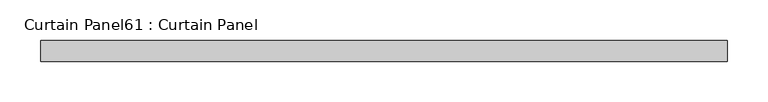
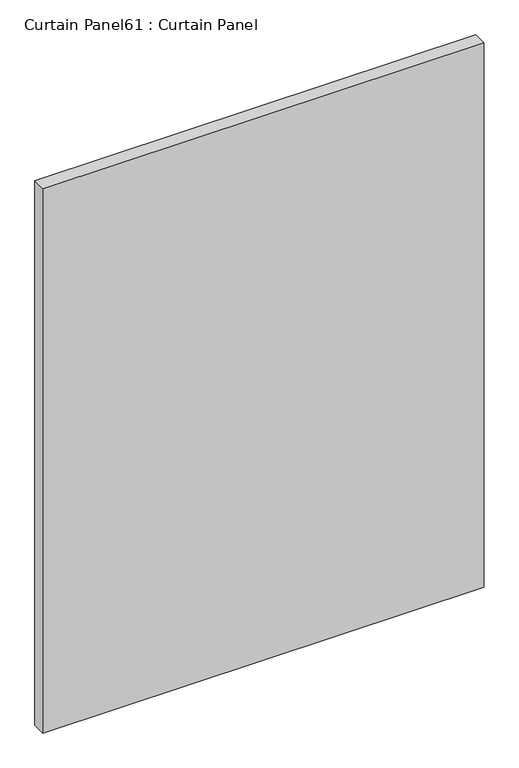
"""IFC4 building model written with IfcOpenShell, lengths in millimetres: plate geometry, Curtain Panel61 : Curtain Panel."""

from ifc_helpers import new_model, si_unit, frame, origin, place, context, project, spatial, polyline, outline, extrude, source, transform, mapped, element, save


def curtain_panel61_curtain_panel_100afe5e(model_context):
    return source(origin(), model_context, "Body", "SweptSolid", [
        extrude(outline(polyline([(-38300.9560268, -3859.9631042), (-39142.3309118, -3859.9631042), (-39142.3309118, -3834.5631042), (-38300.9560268, -3834.5631042), (-38300.9560268, -3859.9631042)])), frame((0.0, 0.0, 57.2578321), z_axis=(0.0, 0.0, 1.0), x_axis=(1.0, 0.0, 0.0)), (0.0, 0.0, 1.0), 1098.2387819),
    ])


if __name__ == "__main__":
    model = new_model("IFC4")
    model_context = context("Model", 3, world=origin())
    ifc_project = project(units=[si_unit("LENGTHUNIT", "METRE", prefix="MILLI")], contexts=[model_context])
    site = spatial("IfcSite", under=ifc_project)
    building = spatial("IfcBuilding", under=site)
    placement = place(None, origin())
    curtain_panel61_curtain_panel_shape = curtain_panel61_curtain_panel_100afe5e(model_context)
    element("IfcPlate", 1, ObjectType="Curtain Panel61 : Curtain Panel", at=placement, inside=building, context=model_context, shape_type="MappedRepresentation", body=[
        mapped(curtain_panel61_curtain_panel_shape, transform((0.0, 0.0, 0.0), x_axis=(1.0, 0.0, 0.0), y_axis=(0.0, 1.0, 0.0), z_axis=(0.0, 0.0, 1.0))),
    ])
    save(model, "model.ifc")
